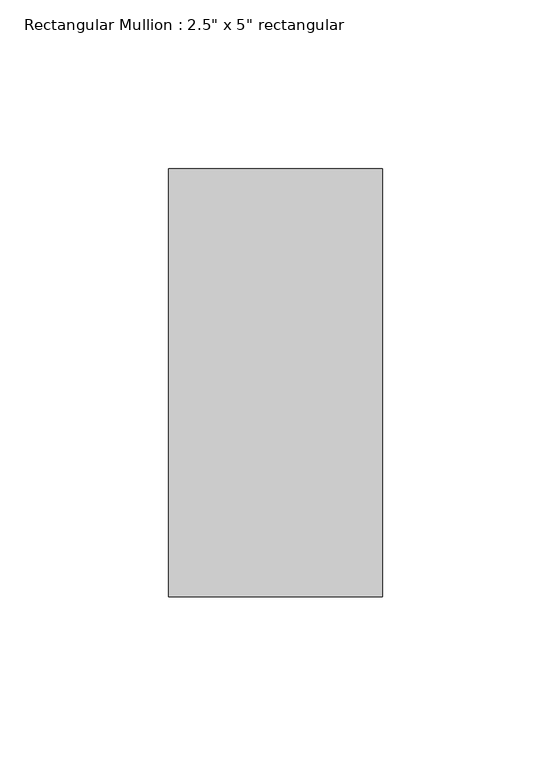
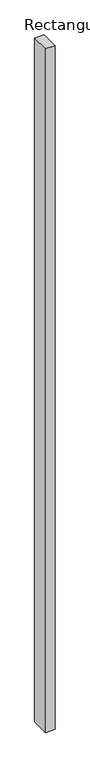
"""IFC4 building model written with IfcOpenShell, lengths in millimetres: member geometry."""

from ifc_helpers import new_model, si_unit, frame, origin, place, context, project, spatial, polyline, outline, extrude, source, transform, mapped, element, save


def member_6a629b30(model_context):
    return source(origin(), model_context, "Body", "SweptSolid", [
        extrude(outline(polyline([(31.75, 63.5), (31.75, -63.5), (-31.75, -63.5), (-31.75, 63.5), (31.75, 63.5)])), frame((0.0, 0.0, -4876.8), z_axis=(0.0, 0.0, 1.0), x_axis=(1.0, 0.0, 0.0)), (0.0, 0.0, 1.0), 4876.8),
    ])


if __name__ == "__main__":
    model = new_model("IFC4")
    model_context = context("Model", 3, world=origin())
    ifc_project = project(units=[si_unit("LENGTHUNIT", "METRE", prefix="MILLI")], contexts=[model_context])
    site = spatial("IfcSite", under=ifc_project)
    building = spatial("IfcBuilding", under=site)
    placement = place(None, origin())
    member_shape = member_6a629b30(model_context)
    element("IfcMember", 1, ObjectType="Rectangular Mullion : 2.5\" x 5\" rectangular", at=placement, inside=building, context=model_context, shape_type="MappedRepresentation", body=[
        mapped(member_shape, transform((0.0, 0.0, 0.0), x_axis=(1.0, 0.0, 0.0), y_axis=(0.0, 1.0, 0.0), z_axis=(0.0, 0.0, 1.0))),
    ])
    save(model, "model.ifc")
